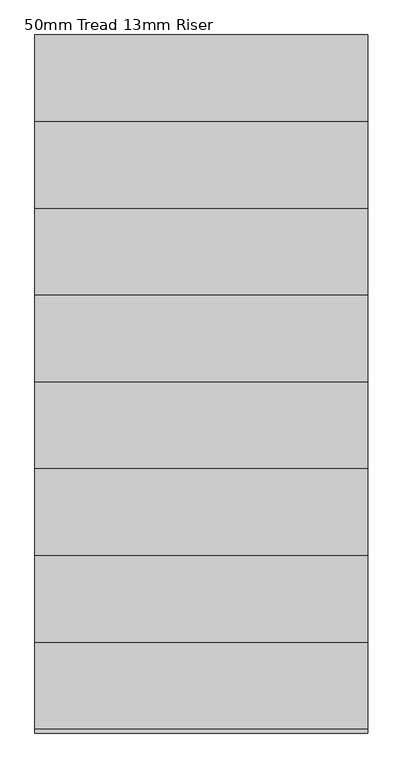
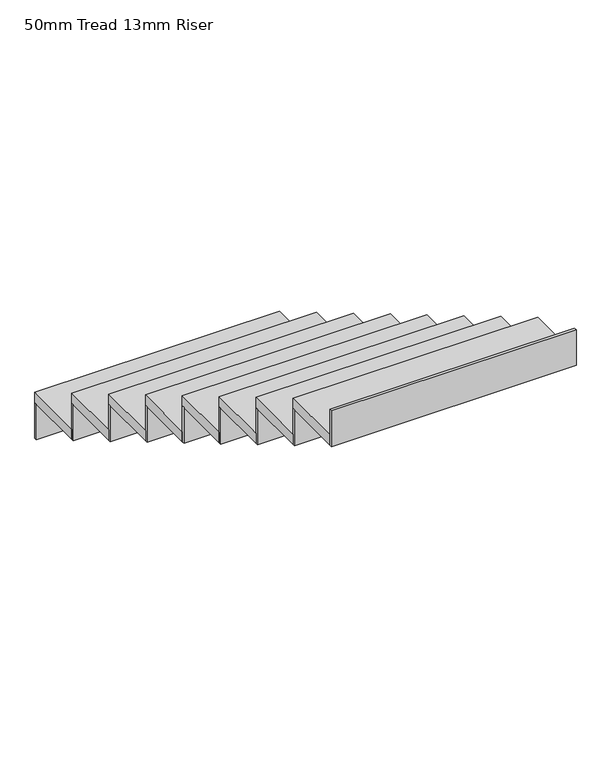
"""IFC4 building model written with IfcOpenShell, lengths in millimetres: stair flight geometry, 50mm Tread 13mm Riser."""

from ifc_helpers import new_model, si_unit, frame, origin, place, context, project, spatial, polyline, outline, extrude, source, transform, mapped, element, save


def stair_flight_50mm_tread_13mm_riser_2414253a(model_context):
    return source(origin(), model_context, "Body", "SweptSolid", [
        extrude(outline(polyline([(1695.5456242, -9113.8929885), (1695.5456242, -9101.3929885), (2845.5456242, -9101.3929885), (2845.5456242, -9113.8929885), (1695.5456242, -9113.8929885)])), frame((0.0, 0.0, -1650.0), z_axis=(0.0, 0.0, 1.0), x_axis=(1.0, 0.0, 0.0)), (0.0, 0.0, 1.0), 177.7777778),
        extrude(outline(polyline([(2845.5456242, -9401.3929885), (1695.5456242, -9401.3929885), (1695.5456242, -9101.3929885), (2845.5456242, -9101.3929885), (2845.5456242, -9401.3929885)])), frame((0.0, 0.0, -1472.2222222), z_axis=(0.0, 0.0, 1.0), x_axis=(1.0, 0.0, 0.0)), (0.0, 0.0, 1.0), 50.0),
        extrude(outline(polyline([(1695.5456242, -9413.8929885), (1695.5456242, -9401.3929885), (2845.5456242, -9401.3929885), (2845.5456242, -9413.8929885), (1695.5456242, -9413.8929885)])), frame((0.0, 0.0, -1472.2222222), z_axis=(0.0, 0.0, 1.0), x_axis=(1.0, 0.0, 0.0)), (0.0, 0.0, 1.0), 177.7777778),
        extrude(outline(polyline([(2845.5456242, -9701.3929885), (1695.5456242, -9701.3929885), (1695.5456242, -9401.3929885), (2845.5456242, -9401.3929885), (2845.5456242, -9701.3929885)])), frame((0.0, 0.0, -1294.4444444), z_axis=(0.0, 0.0, 1.0), x_axis=(1.0, 0.0, 0.0)), (0.0, 0.0, 1.0), 50.0),
        extrude(outline(polyline([(1695.5456242, -9713.8929885), (1695.5456242, -9701.3929885), (2845.5456242, -9701.3929885), (2845.5456242, -9713.8929885), (1695.5456242, -9713.8929885)])), frame((0.0, 0.0, -1294.4444444), z_axis=(0.0, 0.0, 1.0), x_axis=(1.0, 0.0, 0.0)), (0.0, 0.0, 1.0), 177.7777778),
        extrude(outline(polyline([(2845.5456242, -10001.3929885), (1695.5456242, -10001.3929885), (1695.5456242, -9701.3929885), (2845.5456242, -9701.3929885), (2845.5456242, -10001.3929885)])), frame((0.0, 0.0, -1116.6666667), z_axis=(0.0, 0.0, 1.0), x_axis=(1.0, 0.0, 0.0)), (0.0, 0.0, 1.0), 50.0),
        extrude(outline(polyline([(1695.5456242, -10013.8929885), (1695.5456242, -10001.3929885), (2845.5456242, -10001.3929885), (2845.5456242, -10013.8929885), (1695.5456242, -10013.8929885)])), frame((0.0, 0.0, -1116.6666667), z_axis=(0.0, 0.0, 1.0), x_axis=(1.0, 0.0, 0.0)), (0.0, 0.0, 1.0), 177.7777778),
        extrude(outline(polyline([(2845.5456242, -10301.3929885), (1695.5456242, -10301.3929885), (1695.5456242, -10001.3929885), (2845.5456242, -10001.3929885), (2845.5456242, -10301.3929885)])), frame((0.0, 0.0, -938.8888889), z_axis=(0.0, 0.0, 1.0), x_axis=(1.0, 0.0, 0.0)), (0.0, 0.0, 1.0), 50.0),
        extrude(outline(polyline([(1695.5456242, -10313.8929885), (1695.5456242, -10301.3929885), (2845.5456242, -10301.3929885), (2845.5456242, -10313.8929885), (1695.5456242, -10313.8929885)])), frame((0.0, 0.0, -938.8888889), z_axis=(0.0, 0.0, 1.0), x_axis=(1.0, 0.0, 0.0)), (0.0, 0.0, 1.0), 177.7777778),
        extrude(outline(polyline([(2845.5456242, -10601.3929885), (1695.5456242, -10601.3929885), (1695.5456242, -10301.3929885), (2845.5456242, -10301.3929885), (2845.5456242, -10601.3929885)])), frame((0.0, 0.0, -761.1111111), z_axis=(0.0, 0.0, 1.0), x_axis=(1.0, 0.0, 0.0)), (0.0, 0.0, 1.0), 50.0),
        extrude(outline(polyline([(1695.5456242, -10613.8929885), (1695.5456242, -10601.3929885), (2845.5456242, -10601.3929885), (2845.5456242, -10613.8929885), (1695.5456242, -10613.8929885)])), frame((0.0, 0.0, -761.1111111), z_axis=(0.0, 0.0, 1.0), x_axis=(1.0, 0.0, 0.0)), (0.0, 0.0, 1.0), 177.7777778),
        extrude(outline(polyline([(2845.5456242, -10901.3929885), (1695.5456242, -10901.3929885), (1695.5456242, -10601.3929885), (2845.5456242, -10601.3929885), (2845.5456242, -10901.3929885)])), frame((0.0, 0.0, -583.3333333), z_axis=(0.0, 0.0, 1.0), x_axis=(1.0, 0.0, 0.0)), (0.0, 0.0, 1.0), 50.0),
        extrude(outline(polyline([(1695.5456242, -10913.8929885), (1695.5456242, -10901.3929885), (2845.5456242, -10901.3929885), (2845.5456242, -10913.8929885), (1695.5456242, -10913.8929885)])), frame((0.0, 0.0, -583.3333333), z_axis=(0.0, 0.0, 1.0), x_axis=(1.0, 0.0, 0.0)), (0.0, 0.0, 1.0), 177.7777778),
        extrude(outline(polyline([(2845.5456242, -11201.3929885), (1695.5456242, -11201.3929885), (1695.5456242, -10901.3929885), (2845.5456242, -10901.3929885), (2845.5456242, -11201.3929885)])), frame((0.0, 0.0, -405.5555556), z_axis=(0.0, 0.0, 1.0), x_axis=(1.0, 0.0, 0.0)), (0.0, 0.0, 1.0), 50.0),
        extrude(outline(polyline([(1695.5456242, -11213.8929885), (1695.5456242, -11201.3929885), (2845.5456242, -11201.3929885), (2845.5456242, -11213.8929885), (1695.5456242, -11213.8929885)])), frame((0.0, 0.0, -405.5555556), z_axis=(0.0, 0.0, 1.0), x_axis=(1.0, 0.0, 0.0)), (0.0, 0.0, 1.0), 177.7777778),
        extrude(outline(polyline([(1695.5456242, -11513.8929885), (1695.5456242, -11501.3929885), (2845.5456242, -11501.3929885), (2845.5456242, -11513.8929885), (1695.5456242, -11513.8929885)])), frame((0.0, 0.0, -227.7777778), z_axis=(0.0, 0.0, 1.0), x_axis=(1.0, 0.0, 0.0)), (0.0, 0.0, 1.0), 177.7777778),
        extrude(outline(polyline([(2845.5456242, -11501.3929885), (1695.5456242, -11501.3929885), (1695.5456242, -11201.3929885), (2845.5456242, -11201.3929885), (2845.5456242, -11501.3929885)])), frame((0.0, 0.0, -227.7777778), z_axis=(0.0, 0.0, 1.0), x_axis=(1.0, 0.0, 0.0)), (0.0, 0.0, 1.0), 50.0),
    ])


if __name__ == "__main__":
    model = new_model("IFC4")
    model_context = context("Model", 3, world=origin())
    ifc_project = project(units=[si_unit("LENGTHUNIT", "METRE", prefix="MILLI")], contexts=[model_context])
    site = spatial("IfcSite", under=ifc_project)
    building = spatial("IfcBuilding", under=site)
    placement = place(None, origin())
    stair_flight_50mm_tread_13mm_riser_shape = stair_flight_50mm_tread_13mm_riser_2414253a(model_context)
    element("IfcStairFlight", 1, ObjectType="50mm Tread 13mm Riser", at=placement, inside=building, context=model_context, shape_type="MappedRepresentation", body=[
        mapped(stair_flight_50mm_tread_13mm_riser_shape, transform((0.0, 0.0, 0.0), x_axis=(1.0, 0.0, 0.0), y_axis=(0.0, 1.0, 0.0), z_axis=(0.0, 0.0, 1.0))),
    ])
    save(model, "model.ifc")
